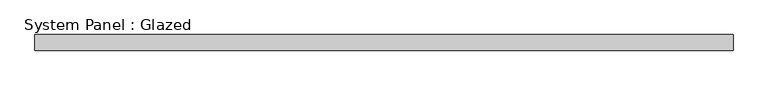
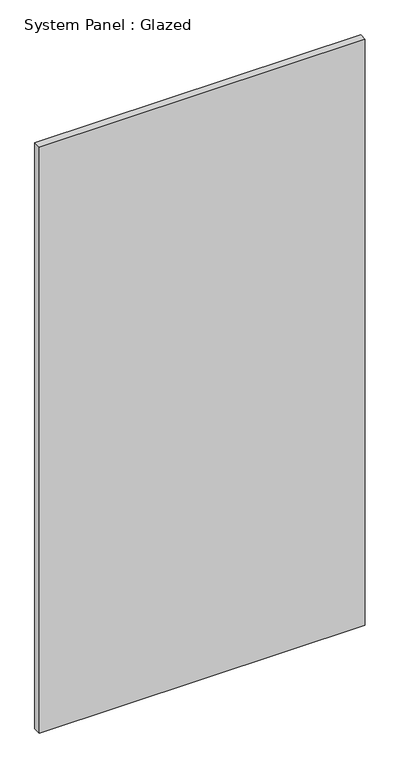
"""IFC4 building model written with IfcOpenShell, lengths in millimetres: plate geometry, System Panel : Glazed."""

from ifc_helpers import new_model, si_unit, origin, origin_with_axes, place, context, project, spatial, polyline, outline, extrude, source, transform, mapped, element, save


def system_panel_glazed_39574652(model_context):
    return source(origin(), model_context, "Body", "SweptSolid", [
        extrude(outline(polyline([(543.75, 24.5), (-543.75, 24.5), (-543.75, 49.5), (543.75, 49.5), (543.75, 24.5)])), origin_with_axes(), (0.0, 0.0, 1.0), 2064.4785963),
    ])


if __name__ == "__main__":
    model = new_model("IFC4")
    model_context = context("Model", 3, world=origin())
    ifc_project = project(units=[si_unit("LENGTHUNIT", "METRE", prefix="MILLI")], contexts=[model_context])
    site = spatial("IfcSite", under=ifc_project)
    building = spatial("IfcBuilding", under=site)
    placement = place(None, origin())
    system_panel_glazed_shape = system_panel_glazed_39574652(model_context)
    element("IfcPlate", 1, ObjectType="System Panel : Glazed", at=placement, inside=building, context=model_context, shape_type="MappedRepresentation", body=[
        mapped(system_panel_glazed_shape, transform((0.0, 0.0, 0.0), x_axis=(1.0, 0.0, 0.0), y_axis=(0.0, 1.0, 0.0), z_axis=(0.0, 0.0, 1.0))),
    ])
    save(model, "model.ifc")
